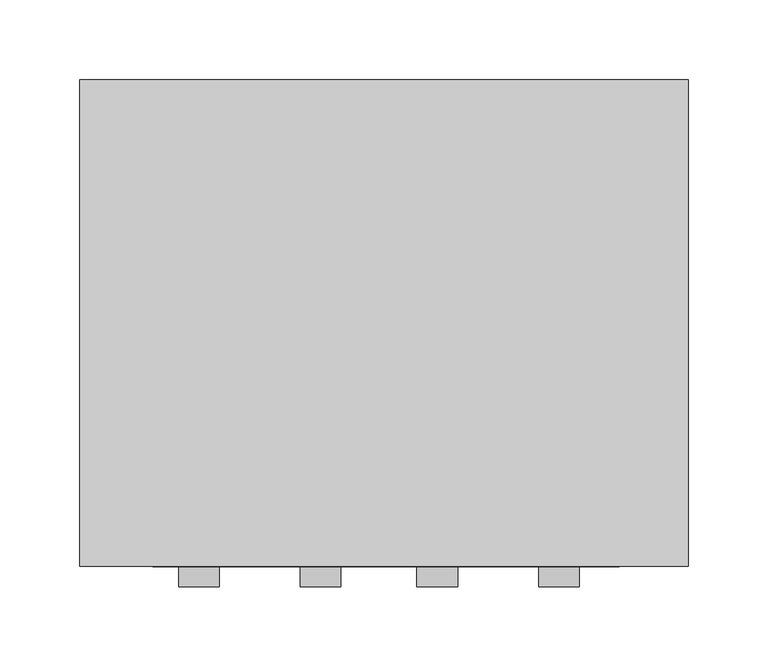
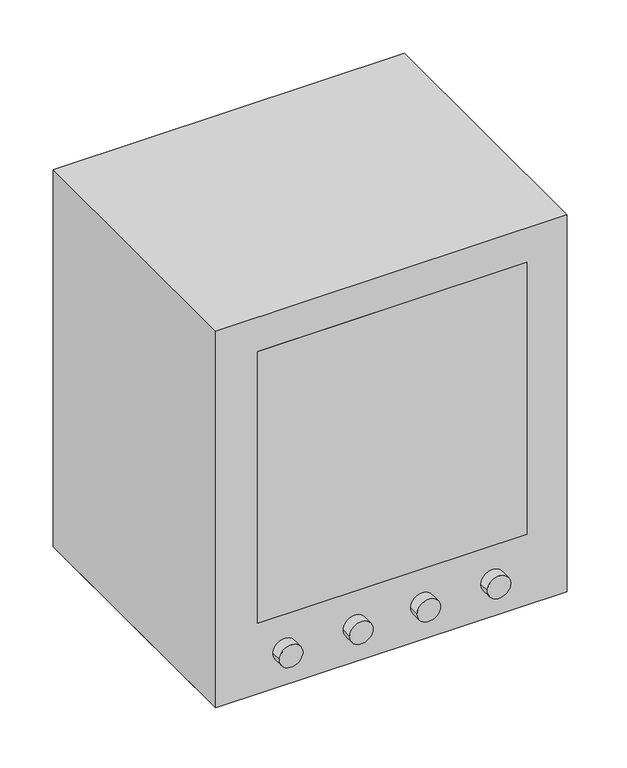
"""IFC4 building model written with IfcOpenShell, lengths in millimetres: proxy geometry."""

import ifcopenshell
import ifcopenshell.guid

model = None  # the IFC model being written
_history = None  # IfcOwnerHistory: only IFC2X3 demands one
_inside = {}  # id of a spatial element -> (the spatial element, [elements in it])
_under = {}  # id of a project, library or spatial element -> (it, [spatial elements below it])
_declared = {}  # id of a project -> (the project, [libraries it declares])
_typed = {}  # id of a type object -> (the type object, [elements of that type])
_made_of = {}  # id of a material, layer set ... -> (it, [elements and type objects made of it])


def new_model(schema):
    """Start an empty IFC model of exactly this schema.

    Asked for "IFC4X3", IfcOpenShell would pick the latest addendum, in which some entities
    have other attributes; the version numbers below select the first issue.
    IFC2X3 requires an IfcOwnerHistory on every rooted entity: one is made here for all.
    """
    global model, _history
    if schema == "IFC4X3":
        model = ifcopenshell.file(schema_version=(4, 3, 0, 0))
    else:
        model = ifcopenshell.file(schema=schema)
    _inside.clear()
    _under.clear()
    _declared.clear()
    _typed.clear()
    _made_of.clear()
    _history = None
    if model.schema == "IFC2X3":
        org = make("IfcOrganization", Name="unknown")
        user = make(
            "IfcPersonAndOrganization",
            ThePerson=make("IfcPerson", FamilyName="unknown"),
            TheOrganization=org,
        )
        app = make(
            "IfcApplication",
            ApplicationDeveloper=org,
            Version="unknown",
            ApplicationFullName="unknown",
            ApplicationIdentifier="unknown",
        )
        _history = make(
            "IfcOwnerHistory",
            OwningUser=user,
            OwningApplication=app,
            ChangeAction="ADDED",
            CreationDate=0,
        )
    return model


def make(cls, **values):
    """One entity of the class cls with the attributes given. An attribute that is None is left unset."""
    return model.create_entity(
        cls, **{name: value for name, value in values.items() if value is not None}
    )


def rooted(cls, **values):
    """An entity with a GlobalId (a new one), such as an element, a storey or a relation."""
    return make(cls, GlobalId=ifcopenshell.guid.new(), OwnerHistory=_history, **values)


def si_unit(unit_type, name, prefix=None):
    """IfcSIUnit, for example si_unit("LENGTHUNIT", "METRE", prefix="MILLI")."""
    return make("IfcSIUnit", UnitType=unit_type, Prefix=prefix, Name=name)


def assignment(units):
    """IfcUnitAssignment: the units of a project."""
    return None if units is None else make("IfcUnitAssignment", Units=units)


def point(xyz):
    """IfcCartesianPoint."""
    return None if xyz is None else make("IfcCartesianPoint", Coordinates=xyz)


def direction(xyz):
    """IfcDirection."""
    return None if xyz is None else make("IfcDirection", DirectionRatios=xyz)


def frame(location, z_axis=None, x_axis=None):
    """IfcAxis2Placement3D, a coordinate frame: its origin and axes. An axis left out is left unset."""
    return make(
        "IfcAxis2Placement3D",
        Location=point(location),
        Axis=direction(z_axis),
        RefDirection=direction(x_axis),
    )


def frame_2d(location, x_axis=None):
    """IfcAxis2Placement2D, a coordinate frame in the plane: its origin and x axis."""
    return make(
        "IfcAxis2Placement2D", Location=point(location), RefDirection=direction(x_axis)
    )


def origin():
    """The frame at (0, 0, 0) with its axes left unset."""
    return frame((0.0, 0.0, 0.0))


def place(relative_to, where):
    """IfcLocalPlacement: puts the frame where relative to a parent placement (None: the world)."""
    return make(
        "IfcLocalPlacement", PlacementRelTo=relative_to, RelativePlacement=where
    )


def context(
    kind, dimensions, precision=None, world=None, true_north=None, identifier=None
):
    """IfcGeometricRepresentationContext, for example the 3D "Model" context."""
    return make(
        "IfcGeometricRepresentationContext",
        ContextIdentifier=identifier,
        ContextType=kind,
        CoordinateSpaceDimension=dimensions,
        Precision=precision,
        WorldCoordinateSystem=world,
        TrueNorth=true_north,
    )


def project(units=None, contexts=None):
    """IfcProject with its units and contexts."""
    return rooted(
        "IfcProject",
        Name="project",
        RepresentationContexts=contexts,
        UnitsInContext=assignment(units),
    )


def spatial(cls, under=None, at=None, **own):
    """A site, building, storey or space (cls), placed at a placement, below another one or the project."""
    s = rooted(cls, ObjectPlacement=at, **own)
    if under is not None:
        _under.setdefault(under.id(), (under, []))[1].append(s)
    return s


def polyline(points):
    """IfcPolyline through the points."""
    return make("IfcPolyline", Points=[point(p) for p in points])


def circle_curve(where, radius):
    """IfcCircle in the frame where."""
    return make("IfcCircle", Position=where, Radius=radius)


def trimmed(basis, trim1, trim2, sense, master):
    """IfcTrimmedCurve: the piece of a basis curve between two trims."""
    return make(
        "IfcTrimmedCurve",
        BasisCurve=basis,
        Trim1=trim1,
        Trim2=trim2,
        SenseAgreement=sense,
        MasterRepresentation=master,
    )


def segment(curve, same_sense, transition):
    """IfcCompositeCurveSegment."""
    return make(
        "IfcCompositeCurveSegment",
        Transition=transition,
        SameSense=same_sense,
        ParentCurve=curve,
    )


def composite_curve(segments, self_intersect=None):
    """IfcCompositeCurve: segments joined end to end."""
    return make("IfcCompositeCurve", Segments=segments, SelfIntersect=self_intersect)


def outline(outer, holes=None, kind="AREA"):
    """IfcArbitraryClosedProfileDef: a profile drawn as a closed curve; with holes, ...WithVoids."""
    if holes is None:
        return make("IfcArbitraryClosedProfileDef", ProfileType=kind, OuterCurve=outer)
    return make(
        "IfcArbitraryProfileDefWithVoids",
        ProfileType=kind,
        OuterCurve=outer,
        InnerCurves=holes,
    )


def extrude(swept, where, along, depth):
    """IfcExtrudedAreaSolid: the profile swept, set in the frame where, extruded along a direction by depth."""
    return make(
        "IfcExtrudedAreaSolid",
        SweptArea=swept,
        Position=where,
        ExtrudedDirection=direction(along),
        Depth=depth,
    )


def faces_of(points, faces, orient=None, outer=None):
    """IfcFace entities. A face is a list of loops; a loop is a list of indices into points, from 0.

    orient and outer hold one flag for each loop. By default every Orientation is true, the
    first loop of a face is its IfcFaceOuterBound and the others are IfcFaceBound.
    """
    made = []
    for i, loops in enumerate(faces):
        bounds = []
        for j, loop in enumerate(loops):
            is_outer = j == 0 if outer is None else outer[i][j]
            bounds.append(
                make(
                    "IfcFaceOuterBound" if is_outer else "IfcFaceBound",
                    Bound=make("IfcPolyLoop", Polygon=[points[k] for k in loop]),
                    Orientation=True if orient is None else orient[i][j],
                )
            )
        made.append(make("IfcFace", Bounds=bounds))
    return made


def faceted_brep(points, faces, orient=None, outer=None, voids=None):
    """IfcFacetedBrep: a solid bounded by flat faces; with voids (closed shells), ...WithVoids."""
    shared = [point(p) for p in points]
    hull = make("IfcClosedShell", CfsFaces=faces_of(shared, faces, orient, outer))
    if voids is None:
        return make("IfcFacetedBrep", Outer=hull)
    return make(
        "IfcFacetedBrepWithVoids",
        Outer=hull,
        Voids=[
            make(cls, CfsFaces=faces_of(shared, fs, o, b)) for cls, fs, o, b in voids
        ],
    )


def shape(context_of_items, identifier, shape_type, items):
    """IfcShapeRepresentation: the items that make up one representation, for example the "Body"."""
    return make(
        "IfcShapeRepresentation",
        ContextOfItems=context_of_items,
        RepresentationIdentifier=identifier,
        RepresentationType=shape_type,
        Items=items,
    )


def source(mapping_origin, context_of_items, identifier, shape_type, items):
    """IfcRepresentationMap: a shape defined once, which mapped items show again and again."""
    return make(
        "IfcRepresentationMap",
        MappingOrigin=mapping_origin,
        MappedRepresentation=shape(context_of_items, identifier, shape_type, items),
    )


def transform(
    local_origin,
    x_axis=None,
    y_axis=None,
    z_axis=None,
    scale=None,
    scale2=None,
    scale3=None,
    uniform=True,
):
    """IfcCartesianTransformationOperator3D, or its non-uniform kind. x_axis, y_axis, z_axis: its Axis1, 2, 3."""
    if uniform:
        return make(
            "IfcCartesianTransformationOperator3D",
            Axis1=direction(x_axis),
            Axis2=direction(y_axis),
            LocalOrigin=point(local_origin),
            Scale=scale,
            Axis3=direction(z_axis),
        )
    return make(
        "IfcCartesianTransformationOperator3DnonUniform",
        Axis1=direction(x_axis),
        Axis2=direction(y_axis),
        LocalOrigin=point(local_origin),
        Scale=scale,
        Axis3=direction(z_axis),
        Scale2=scale2,
        Scale3=scale3,
    )


def mapped(mapping_source, mapping_target):
    """IfcMappedItem: shows the shape of a source again, moved by a transform."""
    return make(
        "IfcMappedItem", MappingSource=mapping_source, MappingTarget=mapping_target
    )


def made_of(thing, what):
    """Note that an element or type object is made of a material, layer set ...; save() writes the relation."""
    if what is not None:
        _made_of.setdefault(what.id(), (what, []))[1].append(thing)
    return thing


def element(
    cls,
    number,
    at=None,
    inside=None,
    cuts=None,
    type_object=None,
    material=None,
    context=None,
    identifier="Body",
    shape_type=None,
    held_by="IfcProductDefinitionShape",
    body=None,
    shapes=None,
    **own,
):
    """One element of the class cls, such as IfcWall. Its Tag is "e" and its number.

    at: its placement. inside: the storey or other place that contains it. cuts: it is an
    opening in that element (IfcRelVoidsElement). A single representation is given by context,
    identifier, shape_type and body (its items); several are given by shapes. held_by: the class
    of the entity that holds the representations. save() writes the other relations.
    """
    e = rooted(cls, Tag="e%d" % number, ObjectPlacement=at, **own)
    if body is not None:
        shapes = [shape(context, identifier, shape_type, body)]
    if shapes is not None:
        e.Representation = make(held_by, Representations=shapes)
    if inside is not None:
        _inside.setdefault(inside.id(), (inside, []))[1].append(e)
    if cuts is not None:
        rooted(
            "IfcRelVoidsElement", RelatingBuildingElement=cuts, RelatedOpeningElement=e
        )
    if type_object is not None:
        _typed.setdefault(type_object.id(), (type_object, []))[1].append(e)
    return made_of(e, material)


def aggregate(whole, parts):
    """IfcRelAggregates: a whole, such as a stair, and the parts it consists of."""
    return rooted("IfcRelAggregates", RelatingObject=whole, RelatedObjects=parts)


def save(model, path):
    """Write the relations noted so far, then the file.

    IfcRelAggregates (storeys below a building ...), IfcRelContainedInSpatialStructure (elements
    in a storey), IfcRelDefinesByType, IfcRelAssociatesMaterial and IfcRelDeclares: one each for
    every whole, place, type object, material and project.
    """
    for whole, parts in _under.values():
        aggregate(whole, parts)
    for where, things in _inside.values():
        rooted(
            "IfcRelContainedInSpatialStructure",
            RelatedElements=things,
            RelatingStructure=where,
        )
    for kind, things in _typed.values():
        rooted("IfcRelDefinesByType", RelatedObjects=things, RelatingType=kind)
    for what, things in _made_of.values():
        rooted("IfcRelAssociatesMaterial", RelatedObjects=things, RelatingMaterial=what)
    for by, libraries in _declared.values():
        rooted("IfcRelDeclares", RelatingContext=by, RelatedDefinitions=libraries)
    model.write(path)


def specialty_equipment_b5f346ec(model_context):
    return source(origin(), model_context, "Body", "SolidModel", [
        extrude(outline(polyline([(147.287649, -152.4), (-144.812351, -152.4), (-144.812351, -146.05), (147.287649, -146.05), (147.287649, -152.4)])), frame((0.0, 0.0, 81.0028485), z_axis=(0.0, 0.0, 1.0), x_axis=(1.0, 0.0, 0.0)), (0.0, 0.0, 1.0), 311.15),
        faceted_brep([(190.5, -152.4, 431.8), (-190.5, -152.4, 431.8), (-190.5, -152.4, 0.0), (190.5, -152.4, 0.0), (-144.812351, -152.4, 392.1528485), (147.287649, -152.4, 392.1528485), (147.287649, -152.4, 81.0028485), (-144.812351, -152.4, 81.0028485), (190.5, 152.4, 431.8), (190.5, 152.4, 0.0), (-190.5, 152.4, 0.0), (-190.5, 152.4, 431.8), (147.287649, -139.7, 392.1528485), (-144.812351, -139.7, 392.1528485), (-144.812351, -139.7, 81.0028485), (147.287649, -139.7, 81.0028485)], [[[0, 1, 2, 3], [4, 5, 6, 7]], [[8, 9, 10, 11]], [[1, 0, 8, 11]], [[2, 1, 11, 10]], [[3, 2, 10, 9]], [[0, 3, 9, 8]], [[12, 13, 14, 15]], [[13, 12, 5, 4]], [[14, 13, 4, 7]], [[15, 14, 7, 6]], [[12, 15, 6, 5]]]),
        faceted_brep([(-190.5, 152.4, 431.8), (-190.5, 0.0, 431.8), (-190.5, -152.4, 431.8), (190.5, -152.4, 431.8), (190.5, 152.4, 431.8), (-190.5, 152.4, 0.0), (190.5, 152.4, 0.0), (190.5, -152.4, 0.0), (-190.5, -152.4, 0.0), (-190.5, 0.0, 0.0), (-144.812351, -152.4, 392.1528485), (147.287649, -152.4, 392.1528485), (147.287649, -152.4, 81.0028485), (-144.812351, -152.4, 81.0028485), (147.287649, -139.7, 392.1528485), (-144.812351, -139.7, 392.1528485), (-144.812351, -139.7, 81.0028485), (147.287649, -139.7, 81.0028485)], [[[0, 1, 2, 3, 4]], [[5, 6, 7, 8, 9]], [[1, 0, 5, 9]], [[2, 1, 9, 8]], [[3, 2, 8, 7], [10, 11, 12, 13]], [[4, 3, 7, 6]], [[0, 4, 6, 5]], [[14, 15, 16, 17]], [[15, 14, 11, 10]], [[16, 15, 10, 13]], [[17, 16, 13, 12]], [[14, 17, 12, 11]]]),
        extrude(outline(composite_curve([segment(trimmed(circle_curve(frame_2d((41.1587525, 33.3616492)), 12.7), [point((41.1587525, 46.0616492))], [point((41.1587525, 20.6616492))], False, "CARTESIAN"), True, "CONTINUOUS"), segment(trimmed(circle_curve(frame_2d((41.1587525, 33.3616492)), 12.7), [point((41.1587525, 20.6616492))], [point((41.1587525, 46.0616492))], False, "CARTESIAN"), True, "CONTINUOUS")], self_intersect=False)), frame((0.0, -165.1, 0.0), z_axis=(0.0, 1.0, 0.0), x_axis=(0.0, 0.0, 1.0)), (0.0, 0.0, 1.0), 12.7),
        extrude(outline(composite_curve([segment(trimmed(circle_curve(frame_2d((41.1587525, 109.5616492)), 12.7), [point((41.1587525, 122.2616492))], [point((41.1587525, 96.8616492))], False, "CARTESIAN"), True, "CONTINUOUS"), segment(trimmed(circle_curve(frame_2d((41.1587525, 109.5616492)), 12.7), [point((41.1587525, 96.8616492))], [point((41.1587525, 122.2616492))], False, "CARTESIAN"), True, "CONTINUOUS")], self_intersect=False)), frame((0.0, -165.1, 0.0), z_axis=(0.0, 1.0, 0.0), x_axis=(0.0, 0.0, 1.0)), (0.0, 0.0, 1.0), 12.7),
        extrude(outline(composite_curve([segment(trimmed(circle_curve(frame_2d((41.1587525, -39.7116492)), 12.7), [point((41.1587525, -52.4116492))], [point((41.1587525, -27.0116492))], False, "CARTESIAN"), True, "CONTINUOUS"), segment(trimmed(circle_curve(frame_2d((41.1587525, -39.7116492)), 12.7), [point((41.1587525, -27.0116492))], [point((41.1587525, -52.4116492))], False, "CARTESIAN"), True, "CONTINUOUS")], self_intersect=False)), frame((0.0, -165.1, 0.0), z_axis=(0.0, 1.0, 0.0), x_axis=(0.0, 0.0, 1.0)), (0.0, 0.0, 1.0), 12.7),
        extrude(outline(composite_curve([segment(trimmed(circle_curve(frame_2d((41.1587525, -115.9116492)), 12.7), [point((41.1587525, -128.6116492))], [point((41.1587525, -103.2116492))], False, "CARTESIAN"), True, "CONTINUOUS"), segment(trimmed(circle_curve(frame_2d((41.1587525, -115.9116492)), 12.7), [point((41.1587525, -103.2116492))], [point((41.1587525, -128.6116492))], False, "CARTESIAN"), True, "CONTINUOUS")], self_intersect=False)), frame((0.0, -165.1, 0.0), z_axis=(0.0, 1.0, 0.0), x_axis=(0.0, 0.0, 1.0)), (0.0, 0.0, 1.0), 12.7),
    ])


if __name__ == "__main__":
    model = new_model("IFC4")
    model_context = context("Model", 3, world=origin())
    ifc_project = project(units=[si_unit("LENGTHUNIT", "METRE", prefix="MILLI")], contexts=[model_context])
    site = spatial("IfcSite", under=ifc_project)
    building = spatial("IfcBuilding", under=site)
    placement = place(None, origin())
    specialty_equipment_shape = specialty_equipment_b5f346ec(model_context)
    element("IfcBuildingElementProxy", 1, Name="Specialty Equipment", at=placement, inside=building, context=model_context, shape_type="MappedRepresentation", body=[
        mapped(specialty_equipment_shape, transform((0.0, 0.0, 0.0), x_axis=(1.0, 0.0, 0.0), y_axis=(0.0, 1.0, 0.0), z_axis=(0.0, 0.0, 1.0))),
    ])
    save(model, "model.ifc")
